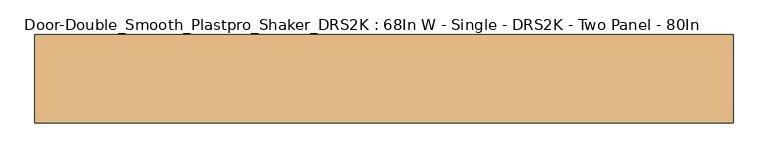
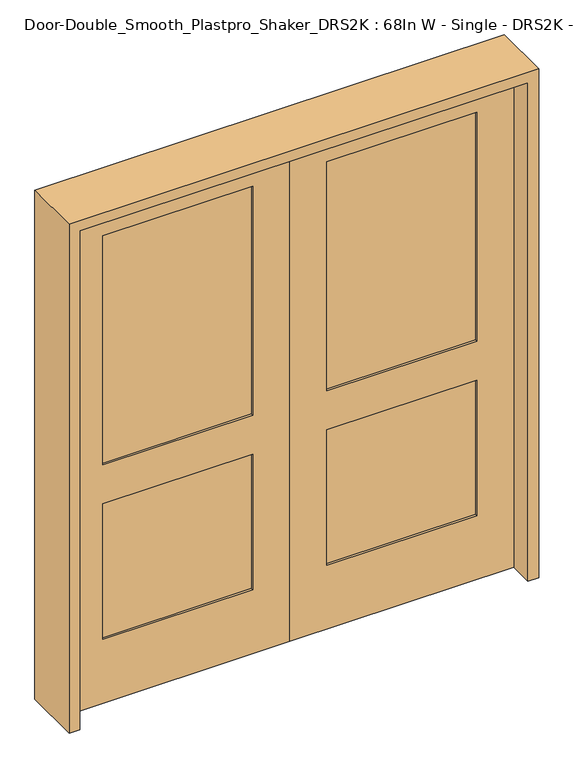
"""IFC4 building model written with IfcOpenShell, lengths in millimetres: door geometry, Door-Double_Smooth_Plastpro_Shaker_DRS2K : 68In W - Single - DRS2K - Two Panel - 80In."""

from ifc_helpers import new_model, si_unit, frame, origin, place, context, project, spatial, polyline, outline, extrude, faceted_brep, source, transform, mapped, element, save


def door_double_smooth_plastpro_shaker_drs2k_68in_w_single_drs2k_fd52bf93(model_context):
    return source(origin(), model_context, "Body", "SolidModel", [
        faceted_brep([(0.0, 20.6375, 2032.0), (0.0, -20.6375, 2032.0), (863.6, -20.6375, 2032.0), (863.6, 20.6375, 2032.0), (0.0, 20.6375, 0.0), (863.6, 20.6375, 0.0), (863.6, -20.6375, 0.0), (0.0, -20.6375, 0.0), (720.725, 20.6375, 1905.0), (142.875, 20.6375, 1905.0), (142.875, 20.6375, 971.55), (720.725, 20.6375, 971.55), (720.725, 20.6375, 812.8), (142.875, 20.6375, 812.8), (142.875, 20.6375, 260.35), (720.725, 20.6375, 260.35), (720.725, -20.6375, 971.55), (142.875, -20.6375, 971.55), (142.875, -20.6375, 1905.0), (720.725, -20.6375, 1905.0), (720.725, -20.6375, 260.35), (142.875, -20.6375, 260.35), (142.875, -20.6375, 812.8), (720.725, -20.6375, 812.8), (720.725, -11.6572439, 971.55), (720.725, -11.6572439, 1905.0), (142.875, -11.6572439, 1905.0), (142.875, -11.6572439, 971.55), (720.725, -11.6572439, 260.35), (720.725, -11.6572439, 812.8), (142.875, -11.6572439, 812.8), (142.875, -11.6572439, 260.35), (720.725, 11.6572439, 971.55), (142.875, 11.6572439, 971.55), (142.875, 11.6572439, 1905.0), (720.725, 11.6572439, 1905.0), (720.725, 11.6572439, 260.35), (142.875, 11.6572439, 260.35), (142.875, 11.6572439, 812.8), (720.725, 11.6572439, 812.8)], [[[0, 1, 2, 3]], [[4, 5, 6, 7]], [[3, 5, 4, 0], [8, 9, 10, 11], [12, 13, 14, 15]], [[2, 6, 5, 3]], [[1, 7, 6, 2], [16, 17, 18, 19], [20, 21, 22, 23]], [[0, 4, 7, 1]], [[24, 25, 26, 27]], [[28, 29, 30, 31]], [[24, 16, 19, 25]], [[25, 19, 18, 26]], [[26, 18, 17, 27]], [[27, 17, 16, 24]], [[28, 20, 23, 29]], [[29, 23, 22, 30]], [[30, 22, 21, 31]], [[31, 21, 20, 28]], [[32, 33, 34, 35]], [[36, 37, 38, 39]], [[35, 8, 11, 32]], [[34, 9, 8, 35]], [[33, 10, 9, 34]], [[32, 11, 10, 33]], [[39, 12, 15, 36]], [[38, 13, 12, 39]], [[37, 14, 13, 38]], [[36, 15, 14, 37]]]),
        faceted_brep([(0.0, 20.6375, 2032.0), (-863.6, 20.6375, 2032.0), (-863.6, -20.6375, 2032.0), (0.0, -20.6375, 2032.0), (0.0, 20.6375, 0.0), (0.0, -20.6375, 0.0), (-863.6, -20.6375, 0.0), (-863.6, 20.6375, 0.0), (-720.725, 20.6375, 1905.0), (-720.725, 20.6375, 971.55), (-142.875, 20.6375, 971.55), (-142.875, 20.6375, 1905.0), (-720.725, 20.6375, 812.8), (-720.725, 20.6375, 260.35), (-142.875, 20.6375, 260.35), (-142.875, 20.6375, 812.8), (-720.725, -20.6375, 971.55), (-720.725, -20.6375, 1905.0), (-142.875, -20.6375, 1905.0), (-142.875, -20.6375, 971.55), (-720.725, -20.6375, 260.35), (-720.725, -20.6375, 812.8), (-142.875, -20.6375, 812.8), (-142.875, -20.6375, 260.35), (-720.725, -11.6572439, 971.55), (-142.875, -11.6572439, 971.55), (-142.875, -11.6572439, 1905.0), (-720.725, -11.6572439, 1905.0), (-720.725, -11.6572439, 260.35), (-142.875, -11.6572439, 260.35), (-142.875, -11.6572439, 812.8), (-720.725, -11.6572439, 812.8), (-720.725, 11.6572439, 971.55), (-720.725, 11.6572439, 1905.0), (-142.875, 11.6572439, 1905.0), (-142.875, 11.6572439, 971.55), (-720.725, 11.6572439, 260.35), (-720.725, 11.6572439, 812.8), (-142.875, 11.6572439, 812.8), (-142.875, 11.6572439, 260.35)], [[[0, 1, 2, 3]], [[4, 5, 6, 7]], [[1, 0, 4, 7], [8, 9, 10, 11], [12, 13, 14, 15]], [[2, 1, 7, 6]], [[3, 2, 6, 5], [16, 17, 18, 19], [20, 21, 22, 23]], [[0, 3, 5, 4]], [[24, 25, 26, 27]], [[28, 29, 30, 31]], [[24, 27, 17, 16]], [[27, 26, 18, 17]], [[26, 25, 19, 18]], [[25, 24, 16, 19]], [[28, 31, 21, 20]], [[31, 30, 22, 21]], [[30, 29, 23, 22]], [[29, 28, 20, 23]], [[32, 33, 34, 35]], [[36, 37, 38, 39]], [[33, 32, 9, 8]], [[34, 33, 8, 11]], [[35, 34, 11, 10]], [[32, 35, 10, 9]], [[37, 36, 13, 12]], [[38, 37, 12, 15]], [[39, 38, 15, 14]], [[36, 39, 14, 13]]]),
        extrude(outline(polyline([(2073.275, -904.875), (0.0, -904.875), (0.0, -863.6), (2032.0, -863.6), (2032.0, 863.6), (0.0, 863.6), (0.0, 904.875), (2073.275, 904.875), (2073.275, -904.875)])), frame((0.0, -114.3, 0.0), z_axis=(0.0, 1.0, 0.0), x_axis=(0.0, 0.0, 1.0)), (0.0, 0.0, 1.0), 228.6),
    ])


if __name__ == "__main__":
    model = new_model("IFC4")
    model_context = context("Model", 3, world=origin())
    ifc_project = project(units=[si_unit("LENGTHUNIT", "METRE", prefix="MILLI")], contexts=[model_context])
    site = spatial("IfcSite", under=ifc_project)
    building = spatial("IfcBuilding", under=site)
    placement = place(None, origin())
    door_double_smooth_plastpro_shaker_drs2k_68in_w_single_drs2k_shape = door_double_smooth_plastpro_shaker_drs2k_68in_w_single_drs2k_fd52bf93(model_context)
    element("IfcDoor", 1, ObjectType="Door-Double_Smooth_Plastpro_Shaker_DRS2K : 68In W - Single - DRS2K - Two Panel - 80In", at=placement, inside=building, context=model_context, shape_type="MappedRepresentation", body=[
        mapped(door_double_smooth_plastpro_shaker_drs2k_68in_w_single_drs2k_shape, transform((0.0, 0.0, 0.0), x_axis=(1.0, 0.0, 0.0), y_axis=(0.0, 1.0, 0.0), z_axis=(0.0, 0.0, 1.0))),
    ])
    save(model, "model.ifc")
